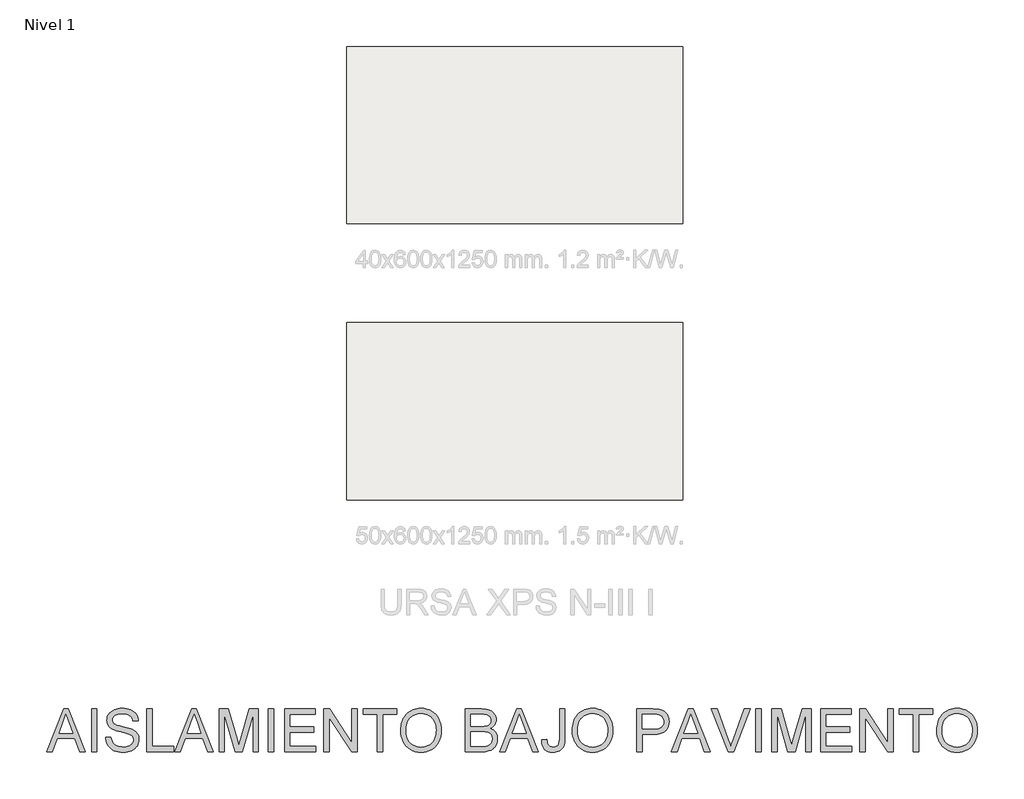
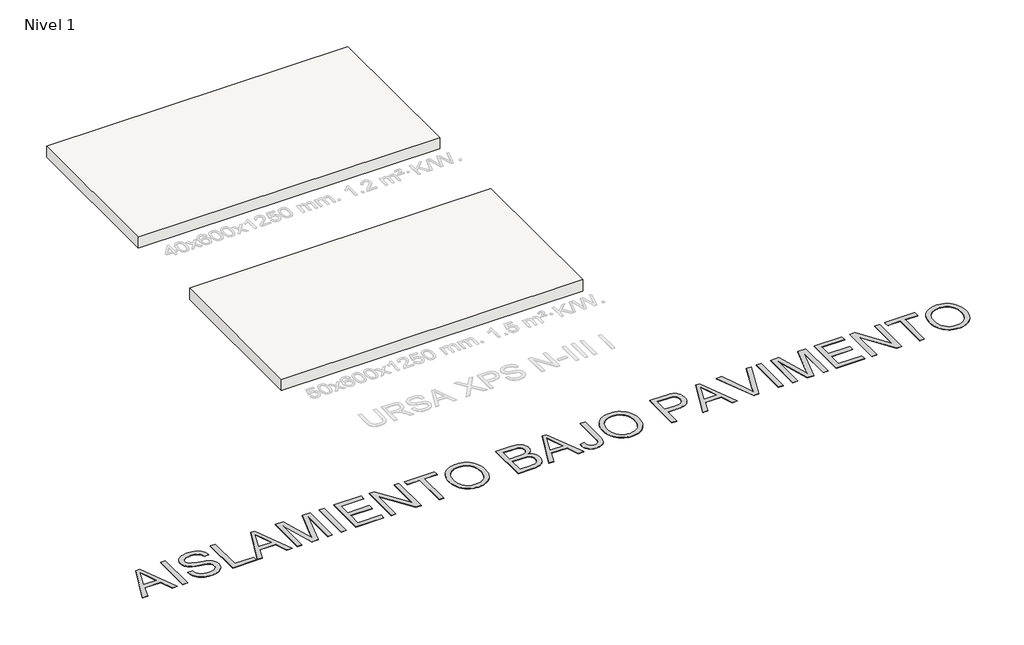
# One storey, part 1 of 3: 2 slabs, 1 proxy.
"""IFC4 building model written with IfcOpenShell, lengths in millimetres."""

from ifc_helpers import new_model, si_unit, frame, origin, origin_with_axes, place, context, project, spatial, polyline, outline, extrude, element, save

model = new_model("IFC4")

# Units and contexts
model_context = context("Model", 3, world=origin())
ifc_project = project(units=[si_unit("LENGTHUNIT", "METRE", prefix="MILLI")], contexts=[model_context])

# Site, building, storey
site = spatial("IfcSite", under=ifc_project)
building = spatial("IfcBuilding", under=site)
storey = spatial("IfcBuildingStorey", under=building, Name="Nivel 1", Elevation=0.0)

# Proxy
placement = place(None, origin())
element("IfcBuildingElementProxy", 1, Name="Texto de modelo 2", ObjectType="Texto de modelo 2", at=placement, inside=storey, context=model_context, shape_type="SweptSolid", body=[
    extrude(outline(polyline([(-26722.8536162, -17648.0311396), (-26321.8622415, -16643.4680381), (-26214.9312082, -16643.4680381), (-25813.9398335, -17648.0311396), (-25946.6226064, -17648.0311396), (-26061.6470436, -17334.1051704), (-26475.3916608, -17334.1051704), (-26590.1708433, -17648.0311396), (-26722.8536162, -17648.0311396)]), holes=[polyline([(-26429.2837841, -17208.5347827), (-26107.5096656, -17208.5347827), (-26198.0086364, -16961.5633366), (-26268.3967249, -16769.0384258), (-26330.936664, -16939.9809262), (-26429.2837841, -17208.5347827)])]), origin_with_axes(), (0.0, 0.0, 1.0), 10.0),
    extrude(outline(polyline([(-25664.0892341, -17648.0311396), (-25664.0892341, -16643.4680381), (-25538.5188464, -16643.4680381), (-25538.5188464, -17648.0311396), (-25664.0892341, -17648.0311396)])), origin_with_axes(), (0.0, 0.0, 1.0), 10.0),
    extrude(outline(polyline([(-25334.4669664, -17302.7125735), (-25208.8965787, -17302.7125735), (-25203.1484226, -17339.2631825), (-25194.4878673, -17372.3955547), (-25182.9149128, -17402.10969), (-25168.4295593, -17428.4055885), (-25150.2960426, -17451.8120804), (-25127.7785988, -17472.8579962), (-25100.8772279, -17491.5433359), (-25069.5919299, -17507.8680994), (-25035.072336, -17521.1195155), (-24998.4680775, -17530.5848126), (-24959.7791543, -17536.2639909), (-24919.0055666, -17538.1570504), (-24849.0466738, -17532.4242226), (-24817.3321801, -17525.2581879), (-24787.7943216, -17515.2257393), (-24761.161198, -17502.6870947), (-24738.1609091, -17488.0024717), (-24718.7934549, -17471.1718704), (-24703.0588354, -17452.1952908), (-24690.8804085, -17431.8928032), (-24682.1815322, -17411.0844779), (-24676.9622063, -17389.7703148), (-24675.2224311, -17367.9503139), (-24680.4340927, -17325.919796), (-24696.0690775, -17289.591449), (-24709.2208588, -17273.4736191), (-24727.8295564, -17258.5973909), (-24751.8951702, -17244.9627644), (-24781.4177004, -17232.5697397), (-24847.72843, -17212.8573961), (-24964.255052, -17184.622453), (-25084.2765529, -17152.8926309), (-25128.0775029, -17137.6025355), (-25161.0719194, -17122.6956505), (-25194.6028304, -17102.692067), (-25223.5812017, -17080.4505347), (-25248.0070334, -17055.9710536), (-25267.8803253, -17029.2536237), (-25283.2777196, -17000.5741565), (-25294.2758585, -16970.2085635), (-25300.8747418, -16938.1568447), (-25303.0743695, -16904.419), (-25300.3535756, -16867.025328), (-25292.1911938, -16830.8732578), (-25278.5872242, -16795.9627893), (-25259.5416668, -16762.2939225), (-25235.2691193, -16731.2385508), (-25205.9841796, -16704.1685673), (-25171.6868478, -16681.0839721), (-25132.3771238, -16661.9847652), (-25089.3809156, -16647.0165665), (-25044.0241312, -16636.324996), (-24996.3067708, -16629.9100537), (-24946.2288342, -16627.7717396), (-24891.5983579, -16630.0096884), (-24840.2788196, -16636.7235349), (-24792.2702192, -16647.9132789), (-24747.5725568, -16663.5789205), (-24707.0135668, -16683.582504), (-24671.4209838, -16707.7860736), (-24640.7948077, -16736.1896293), (-24615.1350385, -16768.7931711), (-24594.6409457, -16804.6463372), (-24579.5117987, -16842.7987658), (-24569.7475974, -16883.2504569), (-24565.3483419, -16926.0014104), (-24690.9187295, -16926.0014104), (-24699.3187018, -16885.9329298), (-24713.9726679, -16851.0761107), (-24734.880628, -16821.4309533), (-24762.0425819, -16796.9974574), (-24795.9643676, -16777.8982505), (-24837.1518226, -16764.2559599), (-24885.6049471, -16756.0705855), (-24941.3237409, -16753.3421273), (-24998.8206311, -16756.0399286), (-25047.9482059, -16764.1333325), (-25088.7064652, -16777.622339), (-25121.0954092, -16796.5069481), (-25145.7741597, -16819.2083329), (-25163.4018387, -16844.1476665), (-25173.978446, -16871.3249489), (-25177.5039818, -16900.7401801), (-25175.0054499, -16926.0473956), (-25167.5098543, -16948.9940351), (-25155.0171949, -16969.5800984), (-25137.5274717, -16987.8055856), (-25109.9976357, -17005.0653825), (-25066.6488739, -17022.5091205), (-25007.4811864, -17040.1367994), (-24932.494573, -17057.9484193), (-24794.0483155, -17091.6096219), (-24745.334608, -17106.8307394), (-24710.293848, -17120.9788678), (-24671.79653, -17142.4233225), (-24638.7101431, -17166.5349216), (-24611.0346871, -17193.3136651), (-24588.7701622, -17222.7595532), (-24571.6559852, -17254.7193015), (-24559.4315731, -17289.039626), (-24552.0969258, -17325.7205266), (-24549.6520434, -17364.7620033), (-24552.4648078, -17404.0410705), (-24560.9031011, -17442.1705065), (-24574.9669232, -17479.1503112), (-24594.6562741, -17514.9804847), (-24619.6262646, -17548.2738052), (-24649.5320051, -17577.6430512), (-24684.3734957, -17603.0882225), (-24724.1507364, -17624.6093192), (-24767.7064318, -17641.7234962), (-24813.8832864, -17653.9479084), (-24862.6813002, -17661.2825556), (-24914.1004733, -17663.7274381), (-24978.3342025, -17661.0909504), (-25037.1263438, -17653.1814875), (-25090.4768973, -17639.9990494), (-25138.385863, -17621.5436359), (-25181.1444807, -17597.7845904), (-25219.0439904, -17568.691256), (-25252.0843921, -17534.2636326), (-25280.2656858, -17494.5017203), (-25302.9670706, -17450.693106), (-25319.5677456, -17404.1253768), (-25330.0677109, -17354.7985326), (-25334.4669664, -17302.7125735)])), origin_with_axes(), (0.0, 0.0, 1.0), 10.0),
    extrude(outline(polyline([(-24361.2964619, -17648.0311396), (-24361.2964619, -16643.4680381), (-24235.7260742, -16643.4680381), (-24235.7260742, -17522.4607519), (-23733.4445234, -17522.4607519), (-23733.4445234, -17648.0311396), (-24361.2964619, -17648.0311396)])), origin_with_axes(), (0.0, 0.0, 1.0), 10.0),
    extrude(outline(polyline([(-23709.1643117, -17648.0311396), (-23308.172937, -16643.4680381), (-23201.2419037, -16643.4680381), (-22800.250529, -17648.0311396), (-22932.9333019, -17648.0311396), (-23047.9577391, -17334.1051704), (-23461.7023563, -17334.1051704), (-23576.4815388, -17648.0311396), (-23709.1643117, -17648.0311396)]), holes=[polyline([(-23415.5944796, -17208.5347827), (-23093.8203611, -17208.5347827), (-23184.319332, -16961.5633366), (-23254.7074204, -16769.0384258), (-23317.2473596, -16939.9809262), (-23415.5944796, -17208.5347827)])]), origin_with_axes(), (0.0, 0.0, 1.0), 10.0),
    extrude(outline(polyline([(-22666.0962281, -17648.0311396), (-22666.0962281, -16643.4680381), (-22450.0268696, -16643.4680381), (-22244.5034616, -17351.5182515), (-22203.0554235, -17499.4068135), (-22158.1738201, -17339.2555183), (-21956.0839774, -16643.4680381), (-21740.0146189, -16643.4680381), (-21740.0146189, -17648.0311396), (-21865.5850066, -17648.0311396), (-21865.5850066, -16769.0384258), (-22117.9520553, -17648.0311396), (-22288.1587917, -17648.0311396), (-22540.5258404, -16769.0384258), (-22540.5258404, -17648.0311396), (-22666.0962281, -17648.0311396)])), origin_with_axes(), (0.0, 0.0, 1.0), 10.0),
    extrude(outline(polyline([(-21504.570142, -17648.0311396), (-21504.570142, -16643.4680381), (-21378.9997543, -16643.4680381), (-21378.9997543, -17648.0311396), (-21504.570142, -17648.0311396)])), origin_with_axes(), (0.0, 0.0, 1.0), 10.0),
    extrude(outline(polyline([(-21127.8589789, -17648.0311396), (-21127.8589789, -16643.4680381), (-20405.8292497, -16643.4680381), (-20405.8292497, -16769.0384258), (-21002.2885912, -16769.0384258), (-21002.2885912, -17067.2680965), (-20437.2218466, -17067.2680965), (-20437.2218466, -17192.8384842), (-21002.2885912, -17192.8384842), (-21002.2885912, -17522.4607519), (-20390.1329513, -17522.4607519), (-20390.1329513, -17648.0311396), (-21127.8589789, -17648.0311396)])), origin_with_axes(), (0.0, 0.0, 1.0), 10.0),
    extrude(outline(polyline([(-20201.7773697, -17648.0311396), (-20201.7773697, -16643.4680381), (-20067.3778142, -16643.4680381), (-19542.5328344, -17439.319421), (-19542.5328344, -16643.4680381), (-19416.9624467, -16643.4680381), (-19416.9624467, -17648.0311396), (-19551.3620023, -17648.0311396), (-20076.206982, -16851.934502), (-20076.206982, -17648.0311396), (-20201.7773697, -17648.0311396)])), origin_with_axes(), (0.0, 0.0, 1.0), 10.0),
    extrude(outline(polyline([(-18946.0734929, -17648.0311396), (-18946.0734929, -16769.0384258), (-19275.6957605, -16769.0384258), (-19275.6957605, -16643.4680381), (-18490.8808375, -16643.4680381), (-18490.8808375, -16769.0384258), (-18820.5031052, -16769.0384258), (-18820.5031052, -17648.0311396), (-18946.0734929, -17648.0311396)])), origin_with_axes(), (0.0, 0.0, 1.0), 10.0),
    extrude(outline(polyline([(-18396.7030467, -17158.9933407), (-18394.6107179, -17098.3886141), (-18388.3337313, -17041.1638033), (-18377.8720871, -16987.3189084), (-18363.2257852, -16936.8539293), (-18344.3948255, -16889.768866), (-18321.3792082, -16846.0637185), (-18294.1789332, -16805.7384869), (-18262.7940005, -16768.7931711), (-18228.1019619, -16735.7412731), (-18190.9803693, -16707.0962949), (-18151.4292228, -16682.8582363), (-18109.4485222, -16663.0270975), (-18065.0382676, -16647.6028784), (-18018.1984589, -16636.5855791), (-17968.9290963, -16629.9751995), (-17917.2301797, -16627.7717396), (-17849.6471915, -16631.9104121), (-17785.4671117, -16644.3264294), (-17724.6899405, -16665.0197917), (-17667.3156776, -16693.9904988), (-17614.953807, -16730.364831), (-17569.2138122, -16773.2690687), (-17530.0956934, -16822.7032118), (-17497.5994505, -16878.6672604), (-17472.0623087, -16939.8889557), (-17453.8214931, -17005.0960394), (-17442.8770037, -17074.2885113), (-17439.2288406, -17147.4663715), (-17443.0686089, -17221.6099219), (-17454.5879139, -17291.7374273), (-17473.7867555, -17357.8488875), (-17500.6651338, -17419.9443026), (-17534.5869194, -17476.383532), (-17574.9159832, -17525.5264352), (-17621.652325, -17567.3730122), (-17674.7959449, -17601.9232629), (-17732.254514, -17628.9625895), (-17791.9357035, -17648.2763943), (-17853.8395134, -17659.8646771), (-17917.9659437, -17663.7274381), (-17986.7292199, -17659.4584741), (-18051.7523626, -17646.6515821), (-18113.0353716, -17625.3067622), (-18170.578247, -17595.4240143), (-18222.878804, -17558.1606339), (-18268.4348577, -17514.6739163), (-18307.2464082, -17464.9638617), (-18339.3134555, -17409.0304701), (-18364.4214017, -17349.1193543), (-18382.3556489, -17287.4761275), (-18393.1161973, -17224.1007896), (-18396.7030467, -17158.9933407)]), holes=[polyline([(-18271.132659, -17160.219614), (-18269.5634124, -17203.0127207), (-18264.8556725, -17243.4682438), (-18257.0094393, -17281.5861835), (-18246.0247129, -17317.3665396), (-18231.9014932, -17350.8093122), (-18214.6397802, -17381.9145013), (-18194.2395739, -17410.6821069), (-18170.7008744, -17437.112129), (-18144.7939345, -17460.7945325), (-18117.2890072, -17481.3192821), (-18088.1860925, -17498.686378), (-18057.4851903, -17512.89582), (-18025.1863008, -17523.9476083), (-17991.2894238, -17531.8417428), (-17955.7945595, -17536.5782235), (-17918.7017077, -17538.1570504), (-17880.9305734, -17536.5628951), (-17844.8723898, -17531.7804291), (-17810.5271566, -17523.8096526), (-17777.894874, -17512.6505654), (-17746.9755419, -17498.3031676), (-17717.7691604, -17480.7674591), (-17690.2757294, -17460.0434401), (-17664.495249, -17436.1311104), (-17641.1289941, -17409.287221), (-17620.8782399, -17379.768523), (-17603.7429864, -17347.5750164), (-17589.7232335, -17312.706701), (-17578.8189812, -17275.163577), (-17571.0302296, -17234.9456443), (-17566.3569786, -17192.0529029), (-17564.7992283, -17146.4853528), (-17567.4663728, -17089.0191195), (-17575.4678062, -17035.3236766), (-17588.8035285, -16985.3990242), (-17607.4735397, -16939.2451622), (-17631.2709063, -16897.4675631), (-17659.9886946, -16860.6716994), (-17693.6269045, -16828.857571), (-17732.1855361, -16802.025178), (-17774.4689729, -16780.7263433), (-17819.2815985, -16765.51289), (-17866.6234127, -16756.384818), (-17916.4944157, -16753.3421273), (-17986.5606074, -16759.2052466), (-18051.5684216, -16776.7946045), (-18082.1754372, -16789.9866229), (-18111.5178584, -16806.110201), (-18166.4089177, -16847.1520361), (-18190.9535446, -16872.5646345), (-18212.2255546, -16901.8974755), (-18230.2249476, -16935.150559), (-18244.9517237, -16972.323885), (-18256.4058829, -17013.4174535), (-18264.5874252, -17058.4312645), (-18269.4963506, -17107.365318), (-18271.132659, -17160.219614)])]), origin_with_axes(), (0.0, 0.0, 1.0), 10.0),
    extrude(outline(polyline([(-16874.162096, -17648.0311396), (-16874.162096, -16643.4680381), (-16490.829057, -16643.4680381), (-16435.2252263, -16645.3151123), (-16385.4002086, -16650.8563348), (-16341.3540039, -16660.0917058), (-16303.0866122, -16673.021225), (-16269.624679, -16689.7828485), (-16239.99485, -16710.5145317), (-16214.1971251, -16735.2162749), (-16192.2315043, -16763.8880779), (-16174.6881317, -16794.9127928), (-16162.1571512, -16826.6732717), (-16154.6385629, -16859.1695146), (-16152.1323668, -16892.4015215), (-16154.2400241, -16923.0966755), (-16160.5629959, -16952.8874529), (-16171.1012822, -16981.7738537), (-16185.854883, -17009.755878), (-16204.8697837, -17035.9598059), (-16228.1919693, -17059.5119178), (-16255.82144, -17080.4122137), (-16287.7581957, -17098.6606935), (-16249.858686, -17114.8168444), (-16216.6036865, -17135.816775), (-16187.9931971, -17161.6604851), (-16164.027218, -17192.3479749), (-16145.0889595, -17226.9442109), (-16131.5616319, -17264.5141596), (-16123.4452354, -17305.0578212), (-16120.7397699, -17348.5751955), (-16122.5868441, -17384.2367564), (-16128.1280666, -17418.6260588), (-16137.3634376, -17451.7431025), (-16150.2929568, -17483.5878878), (-16165.9509343, -17513.003119), (-16183.3716796, -17538.8315007), (-16202.5551928, -17561.073033), (-16223.5014739, -17579.7277158), (-16246.7010322, -17595.56197), (-16272.6443771, -17609.3422164), (-16332.7624265, -17630.7406858), (-16405.8176593, -17643.7085262), (-16493.772113, -17648.0311396), (-16874.162096, -17648.0311396)]), holes=[polyline([(-16748.5917083, -17051.5717981), (-16519.278598, -17051.5717981), (-16439.0803231, -17048.8739968), (-16385.3695518, -17040.7805929), (-16360.2845982, -17032.6335395), (-16338.4952542, -17022.1718953), (-16320.0015197, -17009.3956602), (-16304.8033948, -16994.3048342), (-16292.9468647, -16977.0067162), (-16284.4779146, -16957.6086052), (-16279.3965445, -16936.1105011), (-16277.7027545, -16912.5124039), (-16279.2815814, -16889.918318), (-16284.0180621, -16868.7344465), (-16291.9121966, -16848.9607892), (-16302.9639848, -16830.5973463), (-16316.9588291, -16814.3262322), (-16333.6821314, -16800.8295615), (-16353.1338919, -16790.1073342), (-16375.3141106, -16782.1595503), (-16439.2029504, -16772.3187069), (-16536.6916791, -16769.0384258), (-16748.5917083, -16769.0384258), (-16748.5917083, -17051.5717981)]), polyline([(-16748.5917083, -17522.4607519), (-16491.0743117, -17522.4607519), (-16434.6657391, -17521.2344786), (-16397.8775396, -17517.5556586), (-16354.6207483, -17506.672483), (-16319.0281653, -17490.2097637), (-16290.088115, -17466.6346591), (-16266.788922, -17434.4143277), (-16251.4298487, -17394.9896406), (-16246.3101576, -17349.8014688), (-16247.8123424, -17322.6395149), (-16252.3188968, -17297.3169709), (-16259.8298209, -17273.8338368), (-16270.3451146, -17252.1901128), (-16284.2249957, -17233.0065996), (-16301.829682, -17216.9040981), (-16323.1591735, -17203.8826083), (-16348.2134703, -17193.9421302), (-16378.0962182, -17186.5921545), (-16413.9110632, -17181.3421719), (-16503.3370449, -17177.1421858), (-16748.5917083, -17177.1421858), (-16748.5917083, -17522.4607519)])]), origin_with_axes(), (0.0, 0.0, 1.0), 10.0),
    extrude(outline(polyline([(-16065.0669613, -17648.0311396), (-15664.0755866, -16643.4680381), (-15557.1445533, -16643.4680381), (-15156.1531785, -17648.0311396), (-15288.8359515, -17648.0311396), (-15403.8603886, -17334.1051704), (-15817.6050059, -17334.1051704), (-15932.3841884, -17648.0311396), (-16065.0669613, -17648.0311396)]), holes=[polyline([(-15771.4971291, -17208.5347827), (-15449.7230107, -17208.5347827), (-15540.2219815, -16961.5633366), (-15610.6100699, -16769.0384258), (-15673.1500091, -16939.9809262), (-15771.4971291, -17208.5347827)])]), origin_with_axes(), (0.0, 0.0, 1.0), 10.0),
    extrude(outline(polyline([(-15084.7840715, -17365.9882766), (-14959.2136838, -17349.8014688), (-14954.7837714, -17399.7261213), (-14946.153873, -17441.0975173), (-14933.3239884, -17473.915657), (-14916.2941177, -17498.1805402), (-14895.324844, -17515.6702634), (-14870.6767503, -17528.1629228), (-14842.3498367, -17535.6585185), (-14810.3441031, -17538.1570504), (-14763.9603149, -17532.4855363), (-14743.3206021, -17525.3961437), (-14724.3823435, -17515.470994), (-14707.7050264, -17503.1009619), (-14693.8481379, -17488.676922), (-14682.8116781, -17472.1988743), (-14674.5956469, -17453.6668188), (-14664.3869215, -17402.991074), (-14660.984013, -17329.2000771), (-14660.984013, -16643.4680381), (-14535.4136254, -16643.4680381), (-14535.4136254, -17326.9927851), (-14537.3066848, -17386.4593768), (-14542.9858631, -17438.7982548), (-14552.4511603, -17484.0094192), (-14565.7025763, -17522.0928699), (-14583.0696721, -17554.5661202), (-14604.8820088, -17582.9466833), (-14631.1395862, -17607.2345592), (-14661.8424044, -17627.4297479), (-14696.1857215, -17643.3099873), (-14733.3647956, -17654.6530155), (-14773.3796268, -17661.4588324), (-14816.230215, -17663.7274381), (-14878.1110323, -17659.0446068), (-14932.2969845, -17644.9961131), (-14978.7880716, -17621.581957), (-15017.5842937, -17588.8021384), (-15047.995872, -17546.7792846), (-15069.3330277, -17495.6360231), (-15081.5957609, -17435.3723538), (-15084.7840715, -17365.9882766)])), origin_with_axes(), (0.0, 0.0, 1.0), 10.0),
    extrude(outline(polyline([(-14362.7543423, -17158.9933407), (-14360.6620134, -17098.3886141), (-14354.3850269, -17041.1638033), (-14343.9233827, -16987.3189084), (-14329.2770807, -16936.8539293), (-14310.4461211, -16889.768866), (-14287.4305038, -16846.0637185), (-14260.2302288, -16805.7384869), (-14228.845296, -16768.7931711), (-14194.1532575, -16735.7412731), (-14157.0316649, -16707.0962949), (-14117.4805183, -16682.8582363), (-14075.4998177, -16663.0270975), (-14031.0895631, -16647.6028784), (-13984.2497545, -16636.5855791), (-13934.9803919, -16629.9751995), (-13883.2814752, -16627.7717396), (-13815.698487, -16631.9104121), (-13751.5184073, -16644.3264294), (-13690.741236, -16665.0197917), (-13633.3669732, -16693.9904988), (-13581.0051025, -16730.364831), (-13535.2651078, -16773.2690687), (-13496.146989, -16822.7032118), (-13463.6507461, -16878.6672604), (-13438.1136042, -16939.8889557), (-13419.8727886, -17005.0960394), (-13408.9282993, -17074.2885113), (-13405.2801362, -17147.4663715), (-13409.1199045, -17221.6099219), (-13420.6392095, -17291.7374273), (-13439.8380511, -17357.8488875), (-13466.7164294, -17419.9443026), (-13500.638215, -17476.383532), (-13540.9672787, -17525.5264352), (-13587.7036205, -17567.3730122), (-13640.8472404, -17601.9232629), (-13698.3058095, -17628.9625895), (-13757.986999, -17648.2763943), (-13819.8908089, -17659.8646771), (-13884.0172392, -17663.7274381), (-13952.7805155, -17659.4584741), (-14017.8036581, -17646.6515821), (-14079.0866672, -17625.3067622), (-14136.6295426, -17595.4240143), (-14188.9300996, -17558.1606339), (-14234.4861533, -17514.6739163), (-14273.2977038, -17464.9638617), (-14305.364751, -17409.0304701), (-14330.4726972, -17349.1193543), (-14348.4069445, -17287.4761275), (-14359.1674928, -17224.1007896), (-14362.7543423, -17158.9933407)]), holes=[polyline([(-14237.1839546, -17160.219614), (-14235.614708, -17203.0127207), (-14230.9069681, -17243.4682438), (-14223.0607349, -17281.5861835), (-14212.0760084, -17317.3665396), (-14197.9527887, -17350.8093122), (-14180.6910757, -17381.9145013), (-14160.2908694, -17410.6821069), (-14136.7521699, -17437.112129), (-14110.84523, -17460.7945325), (-14083.3403027, -17481.3192821), (-14054.237388, -17498.686378), (-14023.5364859, -17512.89582), (-13991.2375964, -17523.9476083), (-13957.3407194, -17531.8417428), (-13921.845855, -17536.5782235), (-13884.7530032, -17538.1570504), (-13846.981869, -17536.5628951), (-13810.9236853, -17531.7804291), (-13776.5784522, -17523.8096526), (-13743.9461696, -17512.6505654), (-13713.0268375, -17498.3031676), (-13683.820456, -17480.7674591), (-13656.327025, -17460.0434401), (-13630.5465446, -17436.1311104), (-13607.1802897, -17409.287221), (-13586.9295355, -17379.768523), (-13569.7942819, -17347.5750164), (-13555.774529, -17312.706701), (-13544.8702768, -17275.163577), (-13537.0815252, -17234.9456443), (-13532.4082742, -17192.0529029), (-13530.8505239, -17146.4853528), (-13533.5176683, -17089.0191195), (-13541.5191017, -17035.3236766), (-13554.854824, -16985.3990242), (-13573.5248353, -16939.2451622), (-13597.3222019, -16897.4675631), (-13626.0399901, -16860.6716994), (-13659.6782, -16828.857571), (-13698.2368317, -16802.025178), (-13740.5202685, -16780.7263433), (-13785.332894, -16765.51289), (-13832.6747083, -16756.384818), (-13882.5457112, -16753.3421273), (-13952.6119029, -16759.2052466), (-14017.6197171, -16776.7946045), (-14048.2267327, -16789.9866229), (-14077.5691539, -16806.110201), (-14132.4602133, -16847.1520361), (-14157.0048402, -16872.5646345), (-14178.2768501, -16901.8974755), (-14196.2762432, -16935.150559), (-14211.0030193, -16972.323885), (-14222.4571785, -17013.4174535), (-14230.6387208, -17058.4312645), (-14235.5476461, -17107.365318), (-14237.1839546, -17160.219614)])]), origin_with_axes(), (0.0, 0.0, 1.0), 10.0),
    extrude(outline(polyline([(-12840.2133916, -17648.0311396), (-12840.2133916, -16643.4680381), (-12467.9168125, -16643.4680381), (-12381.2192889, -16645.8592711), (-12317.8209584, -16653.03297), (-12282.8798331, -16660.5668867), (-12250.8970921, -16670.9059036), (-12221.8727356, -16684.0500207), (-12195.8067634, -16699.999238), (-12172.423264, -16719.0831165), (-12151.4463261, -16741.6312171), (-12132.8759496, -16767.6435399), (-12116.7121344, -16797.1200848), (-12103.6216667, -16829.0874973), (-12094.2713327, -16862.5724231), (-12088.6611323, -16897.5748621), (-12086.7910655, -16934.0948143), (-12091.8417787, -16995.7610337), (-12106.9939184, -17052.4915031), (-12132.2474845, -17104.2862223), (-12167.6024771, -17151.1451914), (-12189.8382612, -17171.9535168), (-12216.1399078, -17189.9873988), (-12246.5074169, -17205.2468374), (-12280.9407884, -17217.7318326), (-12319.4400224, -17227.4423844), (-12362.0051189, -17234.3784929), (-12459.3328992, -17239.9273796), (-12714.6430039, -17239.9273796), (-12714.6430039, -17648.0311396), (-12840.2133916, -17648.0311396)]), holes=[polyline([(-12714.6430039, -17114.3569919), (-12451.9752593, -17114.3569919), (-12391.5812985, -17111.4752496), (-12340.6296421, -17102.8300227), (-12299.1202903, -17088.4213113), (-12267.0532431, -17068.2491152), (-12243.125585, -17042.8499291), (-12226.0344006, -17012.7602476), (-12215.77969, -16977.9800706), (-12212.3614531, -16938.5093982), (-12214.3771399, -16909.201466), (-12220.4242002, -16882.1008256), (-12230.502634, -16857.2074773), (-12244.6124414, -16834.5214209), (-12262.0025299, -16814.7784205), (-12281.9218071, -16798.7142401), (-12304.370273, -16786.3288796), (-12329.3479276, -16777.622339), (-12377.7857236, -16771.1844041), (-12454.9183153, -16769.0384258), (-12714.6430039, -16769.0384258), (-12714.6430039, -17114.3569919)])]), origin_with_axes(), (0.0, 0.0, 1.0), 10.0),
    extrude(outline(polyline([(-12031.1182569, -17648.0311396), (-11630.1268821, -16643.4680381), (-11523.1958488, -16643.4680381), (-11122.2044741, -17648.0311396), (-11254.887247, -17648.0311396), (-11369.9116842, -17334.1051704), (-11783.6563014, -17334.1051704), (-11898.4354839, -17648.0311396), (-12031.1182569, -17648.0311396)]), holes=[polyline([(-11737.5484247, -17208.5347827), (-11415.7743063, -17208.5347827), (-11506.2732771, -16961.5633366), (-11576.6613655, -16769.0384258), (-11639.2013047, -16939.9809262), (-11737.5484247, -17208.5347827)])]), origin_with_axes(), (0.0, 0.0, 1.0), 10.0),
    extrude(outline(polyline([(-10691.2920304, -17648.0311396), (-11091.0571318, -16643.4680381), (-10956.6575763, -16643.4680381), (-10689.0847384, -17367.2145499), (-10659.3476105, -17451.5208405), (-10634.8834578, -17530.3089011), (-10609.9901095, -17448.7004119), (-10581.4179412, -17367.2145499), (-10313.1093394, -16643.4680381), (-10178.7097838, -16643.4680381), (-10561.5523135, -17648.0311396), (-10691.2920304, -17648.0311396)])), origin_with_axes(), (0.0, 0.0, 1.0), 10.0),
    extrude(outline(polyline([(-10046.2722655, -17648.0311396), (-10046.2722655, -16643.4680381), (-9920.7018779, -16643.4680381), (-9920.7018779, -17648.0311396), (-10046.2722655, -17648.0311396)])), origin_with_axes(), (0.0, 0.0, 1.0), 10.0),
    extrude(outline(polyline([(-9669.5611025, -17648.0311396), (-9669.5611025, -16643.4680381), (-9453.491744, -16643.4680381), (-9247.968336, -17351.5182515), (-9206.5202979, -17499.4068135), (-9161.6386945, -17339.2555183), (-8959.5488518, -16643.4680381), (-8743.4794933, -16643.4680381), (-8743.4794933, -17648.0311396), (-8869.049881, -17648.0311396), (-8869.049881, -16769.0384258), (-9121.4169297, -17648.0311396), (-9291.6236661, -17648.0311396), (-9543.9907148, -16769.0384258), (-9543.9907148, -17648.0311396), (-9669.5611025, -17648.0311396)])), origin_with_axes(), (0.0, 0.0, 1.0), 10.0),
    extrude(outline(polyline([(-8523.7313148, -17648.0311396), (-8523.7313148, -16643.4680381), (-7801.7015856, -16643.4680381), (-7801.7015856, -16769.0384258), (-8398.1609272, -16769.0384258), (-8398.1609272, -17067.2680965), (-7833.0941826, -17067.2680965), (-7833.0941826, -17192.8384842), (-8398.1609272, -17192.8384842), (-8398.1609272, -17522.4607519), (-7786.0052872, -17522.4607519), (-7786.0052872, -17648.0311396), (-8523.7313148, -17648.0311396)])), origin_with_axes(), (0.0, 0.0, 1.0), 10.0),
    extrude(outline(polyline([(-7597.6497056, -17648.0311396), (-7597.6497056, -16643.4680381), (-7463.2501501, -16643.4680381), (-6938.4051703, -17439.319421), (-6938.4051703, -16643.4680381), (-6812.8347826, -16643.4680381), (-6812.8347826, -17648.0311396), (-6947.2343382, -17648.0311396), (-7472.079318, -16851.934502), (-7472.079318, -17648.0311396), (-7597.6497056, -17648.0311396)])), origin_with_axes(), (0.0, 0.0, 1.0), 10.0),
    extrude(outline(polyline([(-6341.9458288, -17648.0311396), (-6341.9458288, -16769.0384258), (-6671.5680965, -16769.0384258), (-6671.5680965, -16643.4680381), (-5886.7531734, -16643.4680381), (-5886.7531734, -16769.0384258), (-6216.3754411, -16769.0384258), (-6216.3754411, -17648.0311396), (-6341.9458288, -17648.0311396)])), origin_with_axes(), (0.0, 0.0, 1.0), 10.0),
    extrude(outline(polyline([(-5792.5753826, -17158.9933407), (-5790.4830538, -17098.3886141), (-5784.2060673, -17041.1638033), (-5773.744423, -16987.3189084), (-5759.0981211, -16936.8539293), (-5740.2671615, -16889.768866), (-5717.2515441, -16846.0637185), (-5690.0512691, -16805.7384869), (-5658.6663364, -16768.7931711), (-5623.9742978, -16735.7412731), (-5586.8527053, -16707.0962949), (-5547.3015587, -16682.8582363), (-5505.3208581, -16663.0270975), (-5460.9106035, -16647.6028784), (-5414.0707949, -16636.5855791), (-5364.8014322, -16629.9751995), (-5313.1025156, -16627.7717396), (-5245.5195274, -16631.9104121), (-5181.3394477, -16644.3264294), (-5120.5622764, -16665.0197917), (-5063.1880135, -16693.9904988), (-5010.8261429, -16730.364831), (-4965.0861482, -16773.2690687), (-4925.9680293, -16822.7032118), (-4893.4717864, -16878.6672604), (-4867.9346446, -16939.8889557), (-4849.693829, -17005.0960394), (-4838.7493397, -17074.2885113), (-4835.1011765, -17147.4663715), (-4838.9409449, -17221.6099219), (-4850.4602498, -17291.7374273), (-4869.6590915, -17357.8488875), (-4896.5374697, -17419.9443026), (-4930.4592554, -17476.383532), (-4970.7883191, -17525.5264352), (-5017.5246609, -17567.3730122), (-5070.6682808, -17601.9232629), (-5128.1268499, -17628.9625895), (-5187.8080394, -17648.2763943), (-5249.7118493, -17659.8646771), (-5313.8382796, -17663.7274381), (-5382.6015559, -17659.4584741), (-5447.6246985, -17646.6515821), (-5508.9077075, -17625.3067622), (-5566.4505829, -17595.4240143), (-5618.7511399, -17558.1606339), (-5664.3071937, -17514.6739163), (-5703.1187442, -17464.9638617), (-5735.1857914, -17409.0304701), (-5760.2937376, -17349.1193543), (-5778.2279848, -17287.4761275), (-5788.9885332, -17224.1007896), (-5792.5753826, -17158.9933407)]), holes=[polyline([(-5667.004995, -17160.219614), (-5665.4357483, -17203.0127207), (-5660.7280084, -17243.4682438), (-5652.8817752, -17281.5861835), (-5641.8970488, -17317.3665396), (-5627.7738291, -17350.8093122), (-5610.5121161, -17381.9145013), (-5590.1119098, -17410.6821069), (-5566.5732103, -17437.112129), (-5540.6662704, -17460.7945325), (-5513.1613431, -17481.3192821), (-5484.0584284, -17498.686378), (-5453.3575263, -17512.89582), (-5421.0586367, -17523.9476083), (-5387.1617598, -17531.8417428), (-5351.6668954, -17536.5782235), (-5314.5740436, -17538.1570504), (-5276.8029094, -17536.5628951), (-5240.7447257, -17531.7804291), (-5206.3994925, -17523.8096526), (-5173.7672099, -17512.6505654), (-5142.8478779, -17498.3031676), (-5113.6414963, -17480.7674591), (-5086.1480654, -17460.0434401), (-5060.3675849, -17436.1311104), (-5037.0013301, -17409.287221), (-5016.7505759, -17379.768523), (-4999.6153223, -17347.5750164), (-4985.5955694, -17312.706701), (-4974.6913171, -17275.163577), (-4966.9025655, -17234.9456443), (-4962.2293145, -17192.0529029), (-4960.6715642, -17146.4853528), (-4963.3387087, -17089.0191195), (-4971.3401421, -17035.3236766), (-4984.6758644, -16985.3990242), (-5003.3458757, -16939.2451622), (-5027.1432422, -16897.4675631), (-5055.8610305, -16860.6716994), (-5089.4992404, -16828.857571), (-5128.057872, -16802.025178), (-5170.3413088, -16780.7263433), (-5215.1539344, -16765.51289), (-5262.4957486, -16756.384818), (-5312.3667516, -16753.3421273), (-5382.4329433, -16759.2052466), (-5447.4407575, -16776.7946045), (-5478.0477731, -16789.9866229), (-5507.3901943, -16806.110201), (-5562.2812537, -16847.1520361), (-5586.8258805, -16872.5646345), (-5608.0978905, -16901.8974755), (-5626.0972835, -16935.150559), (-5640.8240596, -16972.323885), (-5652.2782188, -17013.4174535), (-5660.4597611, -17058.4312645), (-5665.3686865, -17107.365318), (-5667.004995, -17160.219614)])]), origin_with_axes(), (0.0, 0.0, 1.0), 10.0),
])

# Slabs
element("IfcSlab", 2, at=placement, inside=storey, context=model_context, shape_type="SweptSolid", body=[
    extrude(outline(polyline([(-11758.7268241, -11723.4327774), (-19658.7268241, -11723.4327774), (-19658.7268241, -7556.6178929), (-11758.7268241, -7556.6178929), (-11758.7268241, -11723.4327774)])), frame((0.0, 0.0, -310.0), z_axis=(0.0, 0.0, 1.0), x_axis=(1.0, 0.0, 0.0)), (0.0, 0.0, 1.0), 310.0),
])
element("IfcSlab", 3, at=placement, inside=storey, context=model_context, shape_type="SweptSolid", body=[
    extrude(outline(polyline([(-11758.7268241, -5223.4327774), (-19658.7268241, -5223.4327774), (-19658.7268241, -1056.6178929), (-11758.7268241, -1056.6178929), (-11758.7268241, -5223.4327774)])), frame((0.0, 0.0, -300.0), z_axis=(0.0, 0.0, 1.0), x_axis=(1.0, 0.0, 0.0)), (0.0, 0.0, 1.0), 300.0),
])

save(model, "model.ifc")
